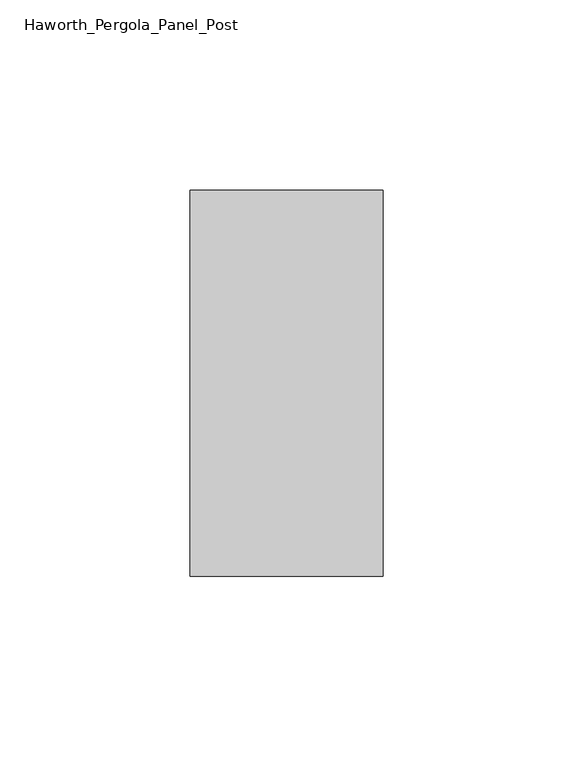
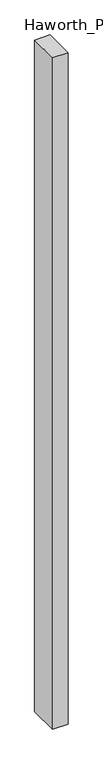
"""IFC4 building model written with IfcOpenShell, lengths in millimetres: furniture geometry, Haworth_Pergola_Panel_Post."""

from ifc_helpers import new_model, si_unit, point, frame, frame_2d, origin, origin_with_axes, place, context, project, spatial, polyline, circle_curve, trimmed, segment, composite_curve, outline, extrude, source, transform, mapped, element, save


def haworth_pergola_panel_post_4695481a(model_context):
    return source(origin(), model_context, "Body", "SweptSolid", [
        extrude(outline(composite_curve([segment(trimmed(circle_curve(frame_2d((12.7000008, 0.0)), 9.525), [point((3.1750008, 0.0))], [point((22.2250008, 0.0))], False, "CARTESIAN"), True, "CONTINUOUS"), segment(trimmed(circle_curve(frame_2d((12.7000008, 0.0)), 9.525), [point((22.2250008, 0.0))], [point((3.1750008, 0.0))], False, "CARTESIAN"), True, "CONTINUOUS")], self_intersect=False)), origin_with_axes(), (0.0, 0.0, 1.0), 12.7),
        extrude(outline(polyline([(38.1, -50.8), (-12.7, -50.8), (-12.7, 50.8), (38.1, 50.8), (38.1, -50.8)])), frame((0.0, 0.0, 12.7), z_axis=(0.0, 0.0, 1.0), x_axis=(1.0, 0.0, 0.0)), (0.0, 0.0, 1.0), 2319.1390625),
    ])


if __name__ == "__main__":
    model = new_model("IFC4")
    model_context = context("Model", 3, world=origin())
    ifc_project = project(units=[si_unit("LENGTHUNIT", "METRE", prefix="MILLI")], contexts=[model_context])
    site = spatial("IfcSite", under=ifc_project)
    building = spatial("IfcBuilding", under=site)
    placement = place(None, origin())
    haworth_pergola_panel_post_shape = haworth_pergola_panel_post_4695481a(model_context)
    element("IfcFurniture", 1, ObjectType="Haworth_Pergola_Panel_Post", at=placement, inside=building, context=model_context, shape_type="MappedRepresentation", body=[
        mapped(haworth_pergola_panel_post_shape, transform((0.0, 0.0, 0.0), x_axis=(1.0, 0.0, 0.0), y_axis=(0.0, 1.0, 0.0), z_axis=(0.0, 0.0, 1.0))),
    ])
    save(model, "model.ifc")
